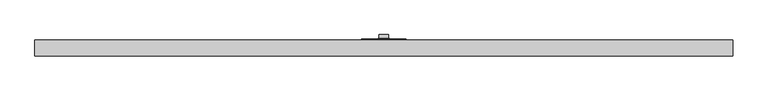
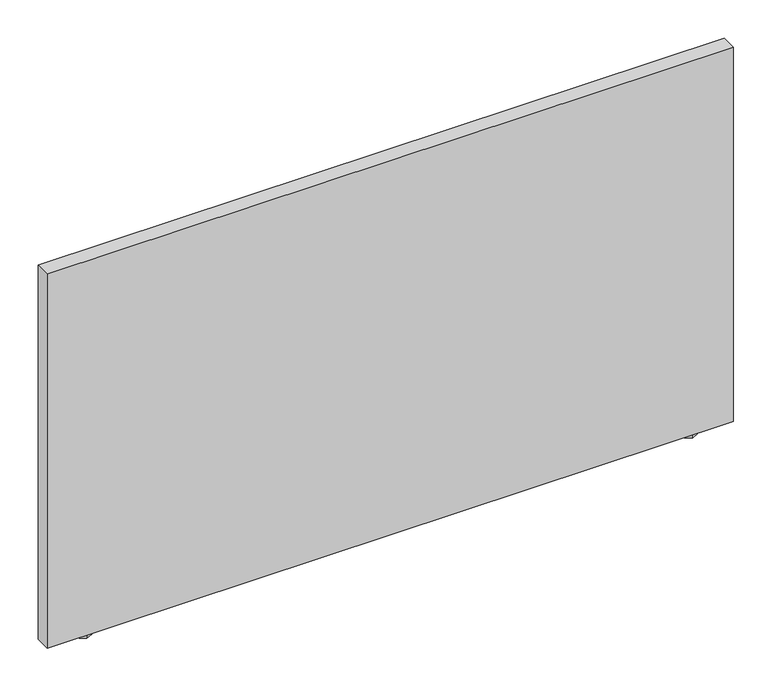
"""IFC4 building model written with IfcOpenShell, lengths in millimetres: furniture geometry."""

from ifc_helpers import new_model, si_unit, frame, origin, origin_with_axes, place, context, project, spatial, polyline, outline, extrude, source, transform, mapped, element, save


def furniture_772d7d39(model_context):
    return source(origin(), model_context, "Body", "SweptSolid", [
        extrude(outline(polyline([(1231.9, -12.0014999), (1236.0244439, -14.3827499), (1236.0244439, -19.1452499), (1231.9, -21.5264999), (1227.7755515, -19.1452499), (1227.7755515, -14.3827499), (1231.9, -12.0014999)])), frame((0.0, 0.0, 6.2484002), z_axis=(0.0, 0.0, 1.0), x_axis=(1.0, 0.0, 0.0)), (0.0, 0.0, 1.0), 0.7873997),
        extrude(outline(polyline([(1244.6000015, -24.7014992), (1231.9, -31.0514999), (1219.200003, -24.7014992), (1219.200003, -8.8265001), (1231.9, -2.4764999), (1244.6000015, -8.8265001), (1244.6000015, -24.7014992)])), origin_with_axes(), (0.0, 0.0, 1.0), 6.2484002),
        extrude(outline(polyline([(76.2, -12.0014999), (80.3244485, -14.3827499), (80.3244485, -19.1452499), (76.2, -21.5264999), (72.0755561, -19.1452499), (72.0755561, -14.3827499), (76.2, -12.0014999)])), frame((0.0, 0.0, 6.2484002), z_axis=(0.0, 0.0, 1.0), x_axis=(1.0, 0.0, 0.0)), (0.0, 0.0, 1.0), 0.7873997),
        extrude(outline(polyline([(65.4685012, -24.7014992), (65.4685012, -8.8265001), (76.2, -2.4764999), (88.899997, -8.8265001), (88.899997, -24.7014992), (76.2, -31.0514999), (65.4685012, -24.7014992)])), origin_with_axes(), (0.0, 0.0, 1.0), 6.2484002),
        extrude(outline(polyline([(1308.1, -1.778), (1308.1, -31.8008002), (0.0, -31.8008002), (0.0, -1.778), (1308.1, -1.778)])), frame((0.0, 0.0, 7.0357999), z_axis=(0.0, 0.0, 1.0), x_axis=(1.0, 0.0, 0.0)), (0.0, 0.0, 1.0), 754.9642001),
        extrude(outline(polyline([(662.5081986, 8.5597998), (662.5081986, 1.5748001), (645.5918006, 1.5748001), (645.5918006, 8.5597998), (662.5081986, 8.5597998)])), frame((0.0, 0.0, 83.5406039), z_axis=(0.0, 0.0, 1.0), x_axis=(1.0, 0.0, 0.0)), (0.0, 0.0, 1.0), 33.6803933),
        extrude(outline(polyline([(662.5081986, 8.5597998), (662.5081986, 1.5748001), (645.5918006, 1.5748001), (645.5918006, 8.5597998), (662.5081986, 8.5597998)])), frame((0.0, 0.0, 489.940613), z_axis=(0.0, 0.0, 1.0), x_axis=(1.0, 0.0, 0.0)), (0.0, 0.0, 1.0), 33.6803933),
        extrude(outline(polyline([(662.5081986, 8.5597998), (662.5081986, 1.5748001), (645.5918006, 1.5748001), (645.5918006, 8.5597998), (662.5081986, 8.5597998)])), frame((0.0, 0.0, 693.1405645), z_axis=(0.0, 0.0, 1.0), x_axis=(1.0, 0.0, 0.0)), (0.0, 0.0, 1.0), 33.6804296),
        extrude(outline(polyline([(664.9720017, 1.5748001), (664.9720017, 0.0508002), (643.1279998, 0.0508002), (643.1279998, 1.5748001), (664.9720017, 1.5748001)])), frame((0.0, 0.0, 478.2057915), z_axis=(0.0, 0.0, 1.0), x_axis=(1.0, 0.0, 0.0)), (0.0, 0.0, 1.0), 57.15),
        extrude(outline(polyline([(664.9720017, 1.5748001), (664.9720017, 0.0508002), (643.1279998, 0.0508002), (643.1279998, 1.5748001), (664.9720017, 1.5748001)])), frame((0.0, 0.0, 681.4058157), z_axis=(0.0, 0.0, 1.0), x_axis=(1.0, 0.0, 0.0)), (0.0, 0.0, 1.0), 57.15),
        extrude(outline(polyline([(695.325, 0.0508002), (695.325, -1.778), (612.7750001, -1.778), (612.7750001, 0.0508002), (695.325, 0.0508002)])), frame((0.0, 0.0, 478.2057915), z_axis=(0.0, 0.0, 1.0), x_axis=(1.0, 0.0, 0.0)), (0.0, 0.0, 1.0), 260.3500242),
        extrude(outline(polyline([(662.5081986, 8.5597998), (662.5081986, 1.5748001), (645.5918006, 1.5748001), (645.5918006, 8.5597998), (662.5081986, 8.5597998)])), frame((0.0, 0.0, 286.7406009), z_axis=(0.0, 0.0, 1.0), x_axis=(1.0, 0.0, 0.0)), (0.0, 0.0, 1.0), 33.6803933),
        extrude(outline(polyline([(0.0, -1.5239999), (0.0, 0.0), (21.8440019, 0.0), (21.8440019, -1.5239999), (0.0, -1.5239999)])), frame((664.9720017, 0.0508002, 275.0057975), z_axis=(0.0, 8.56204035697262e-11, 1.0), x_axis=(-1.0, 0.0, 0.0)), (0.0, 0.0, 1.0), 57.1500182),
        extrude(outline(polyline([(695.325, 0.0508002), (695.325, -1.778), (612.7750001, -1.778), (612.7750001, 0.0508002), (695.325, 0.0508002)])), frame((0.0, 0.0, 71.8058006), z_axis=(0.0, 0.0, 1.0), x_axis=(1.0, 0.0, 0.0)), (0.0, 0.0, 1.0), 260.3500151),
        extrude(outline(polyline([(664.9720017, 1.5748001), (664.9720017, 0.0508002), (643.1279998, 0.0508002), (643.1279998, 1.5748001), (664.9720017, 1.5748001)])), frame((0.0, 0.0, 71.8058006), z_axis=(0.0, 0.0, 1.0), x_axis=(1.0, 0.0, 0.0)), (0.0, 0.0, 1.0), 57.15),
    ])


if __name__ == "__main__":
    model = new_model("IFC4")
    model_context = context("Model", 3, world=origin())
    ifc_project = project(units=[si_unit("LENGTHUNIT", "METRE", prefix="MILLI")], contexts=[model_context])
    site = spatial("IfcSite", under=ifc_project)
    building = spatial("IfcBuilding", under=site)
    placement = place(None, origin())
    furniture_shape = furniture_772d7d39(model_context)
    element("IfcFurniture", 1, at=placement, inside=building, context=model_context, shape_type="MappedRepresentation", body=[
        mapped(furniture_shape, transform((0.0, 0.0, 0.0), x_axis=(1.0, 0.0, 0.0), y_axis=(0.0, 1.0, 0.0), z_axis=(0.0, 0.0, 1.0))),
    ])
    save(model, "model.ifc")
